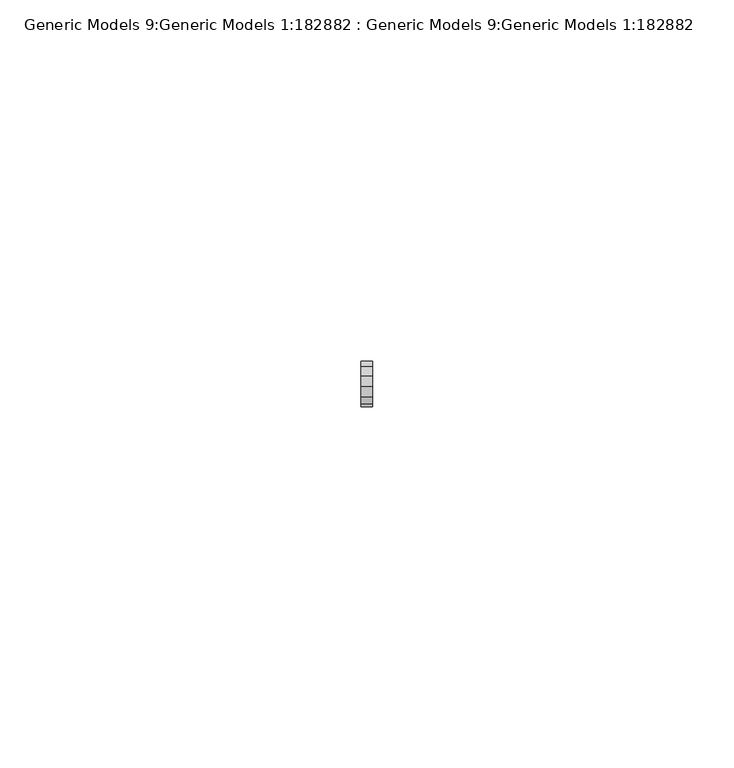
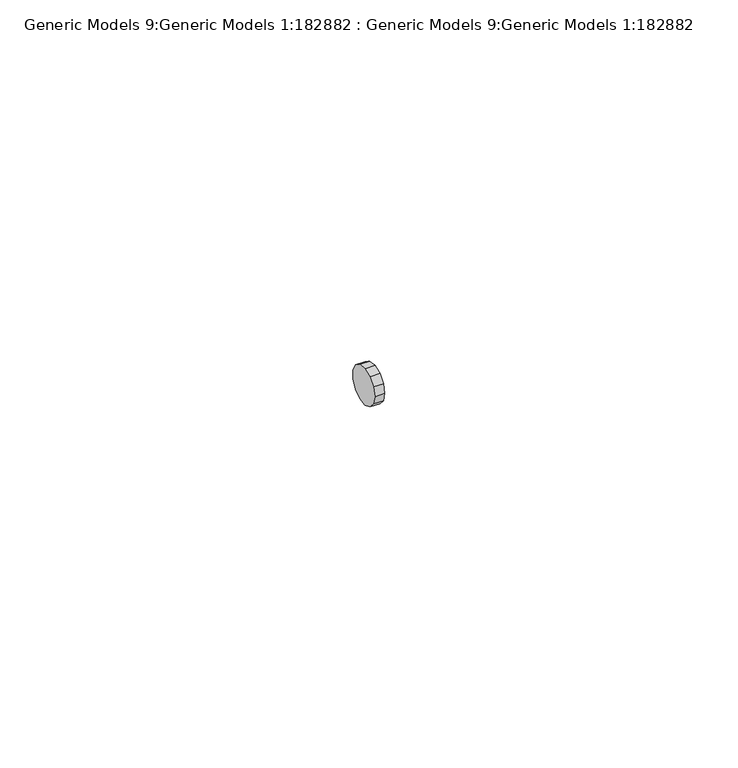
"""IFC4 building model written with IfcOpenShell, lengths in millimetres: proxy geometry, Generic Models 9:Generic Models 1:182882 : Generic Models 9:Generic Models 1:182882."""

from ifc_helpers import new_model, si_unit, frame, origin, place, context, project, spatial, polyline, outline, extrude, source, transform, mapped, element, save


def generic_models_9_generic_models_1_182882_generic_models_9_565705d0(model_context):
    return source(origin(), model_context, "Body", "SweptSolid", [
        extrude(outline(polyline([(-24347.8069305, 4741.2376404), (-24348.5126495, 4739.8920059), (-24349.7638702, 4739.0289307), (-24351.272583, 4738.8458252), (-24352.6935577, 4739.3846512), (-24353.7006378, 4740.5219078), (-24354.0649414, 4741.9977188), (-24353.7006378, 4743.473053), (-24352.6935577, 4744.6107864), (-24351.272583, 4745.1496124), (-24349.7638702, 4744.966507), (-24348.5126495, 4744.1029549), (-24347.8069305, 4742.7573204), (-24347.8069305, 4741.2376404)])), frame((37579.788208, 0.0, 0.0), z_axis=(1.0, 0.0, 0.0), x_axis=(0.0, 1.0, 0.0)), (0.0, 0.0, 1.0), 1.5869141),
    ])


if __name__ == "__main__":
    model = new_model("IFC4")
    model_context = context("Model", 3, world=origin())
    ifc_project = project(units=[si_unit("LENGTHUNIT", "METRE", prefix="MILLI")], contexts=[model_context])
    site = spatial("IfcSite", under=ifc_project)
    building = spatial("IfcBuilding", under=site)
    placement = place(None, origin())
    generic_models_9_generic_models_1_182882_generic_models_9_shape = generic_models_9_generic_models_1_182882_generic_models_9_565705d0(model_context)
    element("IfcBuildingElementProxy", 1, Name="Generic Models 9:Generic Models 1:182882 : Generic Models 9:Generic Models 1:182882", ObjectType="Generic Models 9:Generic Models 1:182882 : Generic Models 9:Generic Models 1:182882", at=placement, inside=building, context=model_context, shape_type="MappedRepresentation", body=[
        mapped(generic_models_9_generic_models_1_182882_generic_models_9_shape, transform((0.0, 0.0, 0.0), x_axis=(1.0, 0.0, 0.0), y_axis=(0.0, 1.0, 0.0), z_axis=(0.0, 0.0, 1.0))),
    ])
    save(model, "model.ifc")
